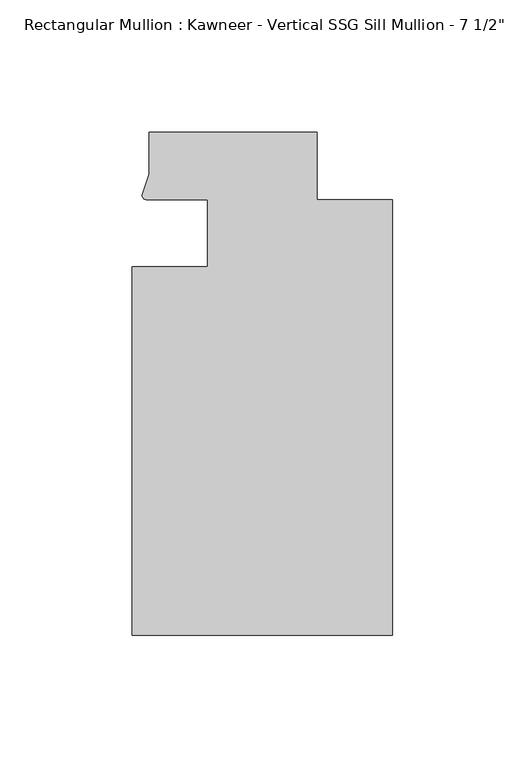
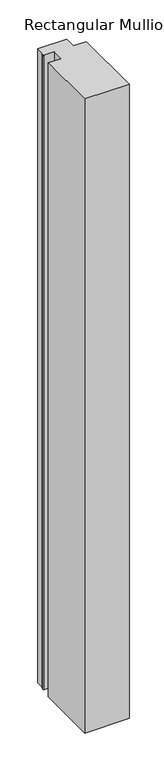
"""IFC4 building model written with IfcOpenShell, lengths in millimetres: member geometry."""

from ifc_helpers import new_model, si_unit, point, frame, frame_2d, origin, place, context, project, spatial, polyline, circle_curve, trimmed, segment, composite_curve, outline, extrude, source, transform, mapped, element, save


def member_a77e04c1(model_context):
    return source(origin(), model_context, "Body", "SweptSolid", [
        extrude(outline(composite_curve([segment(polyline([(-69.85, -12.7), (-69.85, 12.700061), (-93.1091288, 12.700061)]), True, "CONTINUOUS"), segment(trimmed(circle_curve(frame_2d((-93.0262373, 14.401412)), 1.703369), [point((-93.1091288, 12.700061))], [point((-94.7258552, 14.2884292))], False, "CARTESIAN"), True, "CONTINUOUS"), segment(polyline([(-94.7258552, 14.2884292), (-92.075, 22.2250977), (-92.075, 38.1), (-28.575, 38.1), (-28.575, 12.7), (0.0, 12.7), (0.0, -151.892), (-98.425, -151.892), (-98.425, -12.7), (-69.85, -12.7)]), True, "CONTINUOUS")], self_intersect=False)), frame((0.0, 0.0, -1481.5902057), z_axis=(0.0, 0.0, 1.0), x_axis=(1.0, 0.0, 0.0)), (0.0, 0.0, 1.0), 1481.5902057),
    ])


if __name__ == "__main__":
    model = new_model("IFC4")
    model_context = context("Model", 3, world=origin())
    ifc_project = project(units=[si_unit("LENGTHUNIT", "METRE", prefix="MILLI")], contexts=[model_context])
    site = spatial("IfcSite", under=ifc_project)
    building = spatial("IfcBuilding", under=site)
    placement = place(None, origin())
    member_shape = member_a77e04c1(model_context)
    element("IfcMember", 1, ObjectType="Rectangular Mullion : Kawneer - Vertical SSG Sill Mullion - 7 1/2\"", at=placement, inside=building, context=model_context, shape_type="MappedRepresentation", body=[
        mapped(member_shape, transform((0.0, 0.0, 0.0), x_axis=(1.0, 0.0, 0.0), y_axis=(0.0, 1.0, 0.0), z_axis=(0.0, 0.0, 1.0))),
    ])
    save(model, "model.ifc")
